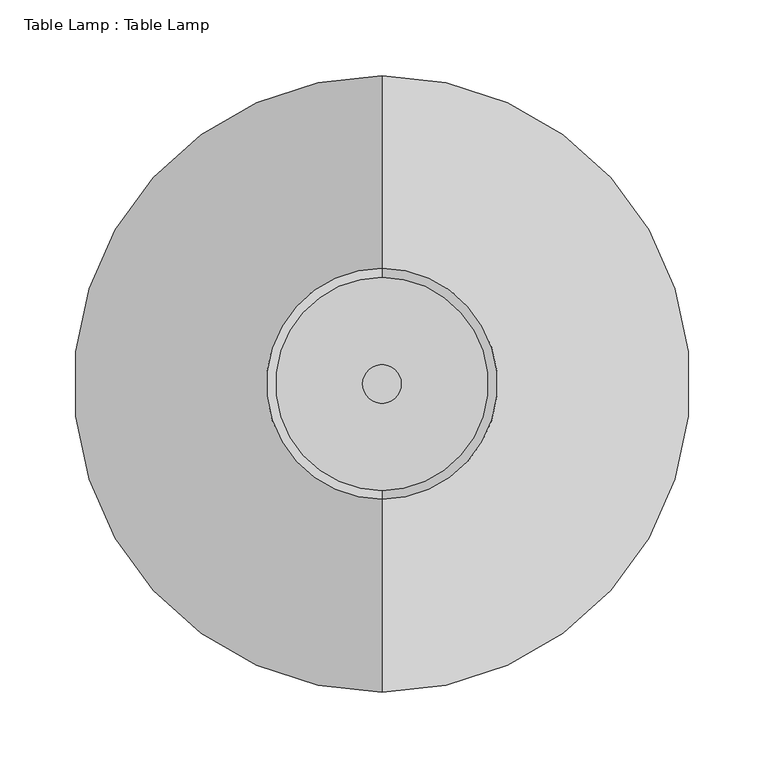
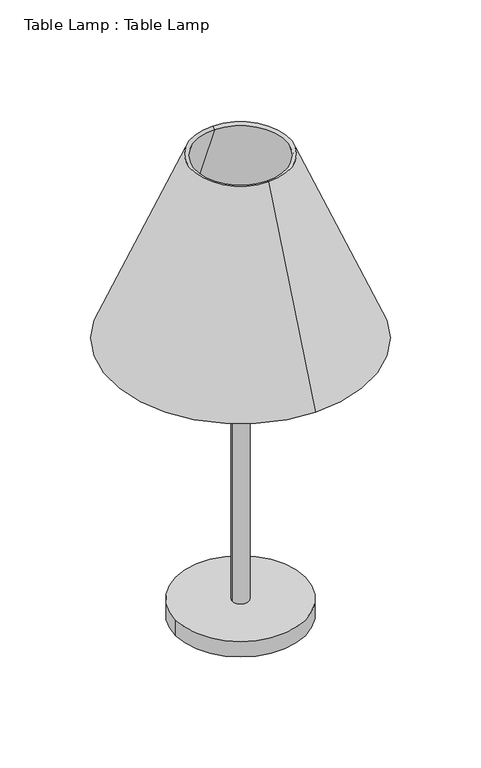
"""IFC4 building model written with IfcOpenShell, lengths in millimetres: proxy geometry, Table Lamp : Table Lamp."""

from ifc_helpers import new_model, si_unit, point, frame, origin, origin_with_axes, origin_2d, place, context, project, spatial, polyline, circle_curve, trimmed, segment, composite_curve, outline, extrude, source, transform, mapped, element, save
from ifc_brep_helpers import revolved_surface, advanced_brep


def table_lamp_table_lamp_6bbdb86d(model_context):
    return source(origin(), model_context, "Body", "SolidModel", [
        advanced_brep(
        [(0.0, 203.2, 457.2), (0.0, -203.2, 457.2), (0.0, -76.2, 762.0), (0.0, 76.2, 762.0), (0.0, 197.3384615, 454.7576923), (0.0, -197.3384615, 454.7576923), (0.0, 70.3384615, 759.5576923), (0.0, -70.3384615, 759.5576923)],
        [
            (0, 1, circle_curve(frame((0.0, 0.0, 457.2), z_axis=(0.0, 0.0, 1.0), x_axis=(0.0, -1.0, 0.0)), 203.2)),
            (1, 2),
            (2, 3, circle_curve(frame((0.0, 0.0, 762.0), z_axis=(0.0, 0.0, -1.0), x_axis=(0.0, -1.0, 0.0)), 76.2)),
            (3, 0),
            (1, 0, circle_curve(frame((0.0, 0.0, 457.2), z_axis=(0.0, 0.0, 1.0), x_axis=(0.0, -1.0, 0.0)), 203.2)),
            (3, 2, circle_curve(frame((0.0, 0.0, 762.0), z_axis=(0.0, 0.0, -1.0), x_axis=(0.0, -1.0, 0.0)), 76.2)),
            (4, 5, circle_curve(frame((0.0, 0.0, 454.7576923), z_axis=(0.0, 0.0, 1.0), x_axis=(0.0, -1.0, 0.0)), 197.3384615)),
            (5, 1),
            (0, 4),
            (5, 4, circle_curve(frame((0.0, 0.0, 454.7576923), z_axis=(0.0, 0.0, 1.0), x_axis=(0.0, -1.0, 0.0)), 197.3384615)),
            (6, 7, circle_curve(frame((0.0, 0.0, 759.5576923), z_axis=(0.0, 0.0, 1.0), x_axis=(0.0, -1.0, 0.0)), 70.3384615)),
            (7, 5),
            (4, 6),
            (7, 6, circle_curve(frame((0.0, 0.0, 759.5576923), z_axis=(0.0, 0.0, 1.0), x_axis=(0.0, -1.0, 0.0)), 70.3384615)),
            (2, 7),
            (6, 3),
        ],
        [
            revolved_surface(polyline([(0.0, -76.2, 762.0), (0.0, -203.2, 457.2)]), (0.0, 0.0, 762.0), (0.0, 0.0, -1.0)),
            revolved_surface(polyline([(0.0, -203.2, 457.2), (0.0, -197.3384615, 454.7576923)]), (0.0, 0.0, 762.0), (0.0, 0.0, -1.0)),
            revolved_surface(polyline([(0.0, -197.3384615, 454.7576923), (0.0, -70.3384615, 759.5576923)]), (0.0, 0.0, 762.0), (0.0, 0.0, -1.0)),
            revolved_surface(polyline([(0.0, -70.3384615, 759.5576923), (0.0, -76.2, 762.0)]), (0.0, 0.0, 762.0), (0.0, 0.0, -1.0)),
        ],
        [
            (0, [[1, 2, 3, 4]]),
            (0, [[5, -4, 6, -2]]),
            (1, [[7, 8, -1, 9]]),
            (1, [[10, -9, -5, -8]]),
            (2, [[11, 12, -7, 13]]),
            (2, [[14, -13, -10, -12]]),
            (3, [[-3, 15, -11, 16]]),
            (3, [[-6, -16, -14, -15]]),
        ],
    ),
        extrude(outline(composite_curve([segment(trimmed(circle_curve(origin_2d(), 12.7), [point((-12.7, 0.0))], [point((12.7, 0.0))], False, "CARTESIAN"), True, "CONTINUOUS"), segment(trimmed(circle_curve(origin_2d(), 12.7), [point((12.7, 0.0))], [point((-12.7, 0.0))], False, "CARTESIAN"), True, "CONTINUOUS")], self_intersect=False)), frame((0.0, 0.0, 25.4), z_axis=(0.0, 0.0, 1.0), x_axis=(1.0, 0.0, 0.0)), (0.0, 0.0, 1.0), 533.4),
        extrude(outline(composite_curve([segment(trimmed(circle_curve(origin_2d(), 101.6), [point((-101.6, 0.0))], [point((101.6, 0.0))], False, "CARTESIAN"), True, "CONTINUOUS"), segment(trimmed(circle_curve(origin_2d(), 101.6), [point((101.6, 0.0))], [point((-101.6, 0.0))], False, "CARTESIAN"), True, "CONTINUOUS")], self_intersect=False)), origin_with_axes(), (0.0, 0.0, 1.0), 25.4),
    ])


if __name__ == "__main__":
    model = new_model("IFC4")
    model_context = context("Model", 3, world=origin())
    ifc_project = project(units=[si_unit("LENGTHUNIT", "METRE", prefix="MILLI")], contexts=[model_context])
    site = spatial("IfcSite", under=ifc_project)
    building = spatial("IfcBuilding", under=site)
    placement = place(None, origin())
    table_lamp_table_lamp_shape = table_lamp_table_lamp_6bbdb86d(model_context)
    element("IfcBuildingElementProxy", 1, Name="Table Lamp : Table Lamp", ObjectType="Table Lamp : Table Lamp", at=placement, inside=building, context=model_context, shape_type="MappedRepresentation", body=[
        mapped(table_lamp_table_lamp_shape, transform((0.0, 0.0, 0.0), x_axis=(1.0, 0.0, 0.0), y_axis=(0.0, 1.0, 0.0), z_axis=(0.0, 0.0, 1.0))),
    ])
    save(model, "model.ifc")
